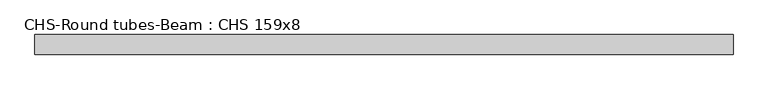
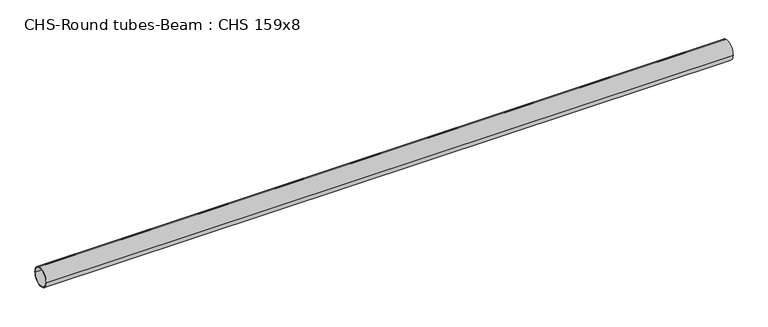
"""IFC4 building model written with IfcOpenShell, lengths in millimetres: beam geometry, CHS-Round tubes-Beam : CHS 159x8."""

from ifc_helpers import new_model, si_unit, point, frame, origin, origin_2d, place, context, project, spatial, circle_curve, trimmed, segment, composite_curve, outline, extrude, source, transform, mapped, element, save


def chs_round_tubes_beam_chs_159x8_74dd2139(model_context):
    return source(origin(), model_context, "Body", "SweptSolid", [
        extrude(outline(composite_curve([segment(trimmed(circle_curve(origin_2d(), 79.5), [point((79.5, 0.0))], [point((-79.5, 0.0))], False, "CARTESIAN"), True, "CONTINUOUS"), segment(trimmed(circle_curve(origin_2d(), 79.5), [point((-79.5, 0.0))], [point((79.5, 0.0))], False, "CARTESIAN"), True, "CONTINUOUS")], self_intersect=False), holes=[composite_curve([segment(trimmed(circle_curve(origin_2d(), 71.5), [point((71.5, 0.0))], [point((-71.5, 0.0))], True, "CARTESIAN"), True, "CONTINUOUS"), segment(trimmed(circle_curve(origin_2d(), 71.5), [point((-71.5, 0.0))], [point((71.5, 0.0))], True, "CARTESIAN"), True, "CONTINUOUS")], self_intersect=False)]), frame((-2823.1513972, 0.0, 0.0), z_axis=(1.0, 0.0, 0.0), x_axis=(0.0, 1.0, 0.0)), (0.0, 0.0, 1.0), 5652.1825046),
    ])


if __name__ == "__main__":
    model = new_model("IFC4")
    model_context = context("Model", 3, world=origin())
    ifc_project = project(units=[si_unit("LENGTHUNIT", "METRE", prefix="MILLI")], contexts=[model_context])
    site = spatial("IfcSite", under=ifc_project)
    building = spatial("IfcBuilding", under=site)
    placement = place(None, origin())
    chs_round_tubes_beam_chs_159x8_shape = chs_round_tubes_beam_chs_159x8_74dd2139(model_context)
    element("IfcBeam", 1, ObjectType="CHS-Round tubes-Beam : CHS 159x8", at=placement, inside=building, context=model_context, shape_type="MappedRepresentation", body=[
        mapped(chs_round_tubes_beam_chs_159x8_shape, transform((0.0, 0.0, 0.0), x_axis=(1.0, 0.0, 0.0), y_axis=(0.0, 1.0, 0.0), z_axis=(0.0, 0.0, 1.0))),
    ])
    save(model, "model.ifc")
